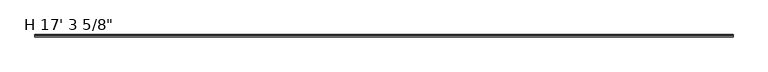
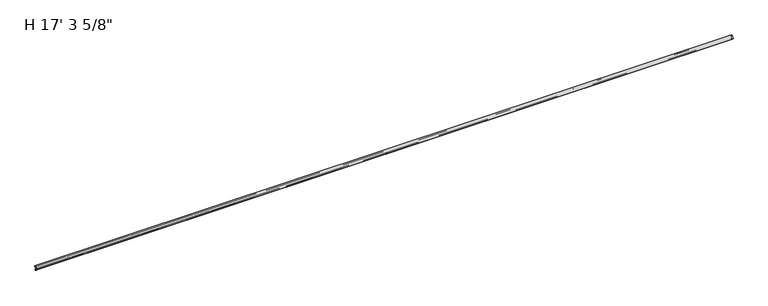
"""IFC4 building model written with IfcOpenShell, lengths in millimetres: proxy geometry."""

from ifc_helpers import new_model, si_unit, point, frame, frame_2d, origin, place, context, project, spatial, polyline, circle_curve, trimmed, segment, composite_curve, outline, extrude, source, transform, mapped, element, save


def proxy_9a439b78(model_context):
    return source(origin(), model_context, "Body", "SweptSolid", [
        extrude(outline(composite_curve([segment(trimmed(circle_curve(frame_2d((-7.0030343, -1.113481)), 1.4278993), [point((-6.1091347, 0.0))], [point((-7.8893268, 0.0060645))], True, "CARTESIAN"), True, "CONTINUOUS"), segment(polyline([(-7.8893268, 0.0060645), (-8.1553262, 0.8894873), (-7.9862027, 1.6851507), (-8.1786509, 2.4848291), (-7.9880038, 3.3817532), (-8.1776372, 4.2927955), (-7.9834986, 5.0714427), (-8.1655958, 5.9462793), (-7.972318, 6.7214745), (-8.1398857, 7.5265082), (-7.9490433, 8.2919351), (-8.1699585, 9.0623577), (-7.9721145, 9.9931404), (-9.525, 9.9931404)]), True, "CONTINUOUS"), segment(trimmed(circle_curve(frame_2d((-11.1161473, 9.9892618)), 1.591152), [point((-9.525, 9.9931404))], [point((-11.1161473, 11.5804138))], True, "CARTESIAN"), True, "CONTINUOUS"), segment(polyline([(-11.1161473, 11.5804138), (-12.4902194, 11.5804138)]), True, "CONTINUOUS"), segment(trimmed(circle_curve(frame_2d((-14.0777194, 11.5804138)), 1.5875), [point((-12.4902194, 11.5804138))], [point((-15.6652194, 11.5804138))], False, "CARTESIAN"), True, "CONTINUOUS"), segment(polyline([(-15.6652194, 11.5804138), (-19.05, 11.5804138)]), True, "CONTINUOUS"), segment(trimmed(circle_curve(frame_2d((0.635, 11.5804138)), 19.685), [point((-19.05, 11.5804138))], [point((0.0, 31.2551692))], False, "CARTESIAN"), True, "CONTINUOUS"), segment(polyline([(0.0, 31.2551692), (0.0, 29.1388523), (-0.254, 28.2962972), (0.0, 27.3483563), (-0.254, 26.5058012), (0.0, 25.0705593)]), True, "CONTINUOUS"), segment(trimmed(circle_curve(frame_2d((-0.79502, 25.0705593)), 0.79502), [point((0.0, 25.0705593))], [point((-0.79502, 24.2755393))], False, "CARTESIAN"), True, "CONTINUOUS"), segment(polyline([(-0.79502, 24.2755393), (-1.5946294, 24.3595817), (-1.8599178, 25.8586097), (-1.5875, 26.7622595), (-1.8415, 27.7102004), (-1.6524001, 28.7826392)]), True, "CONTINUOUS"), segment(trimmed(circle_curve(frame_2d((-3.1115, 25.8284159)), 3.2949063), [point((-1.6524001, 28.7826392))], [point((-4.3677301, 28.8744451))], True, "CARTESIAN"), True, "CONTINUOUS"), segment(polyline([(-4.3677301, 28.8744451), (-4.1978841, 28.1090541), (-4.4923475, 27.2216207), (-4.2880317, 26.4591036), (-4.5167099, 25.7005446), (-4.2974045, 24.8820856), (-5.0436174, 24.3595817)]), True, "CONTINUOUS"), segment(trimmed(circle_curve(frame_2d((-5.0436174, 25.172294)), 0.8127124), [point((-5.0436174, 24.3595817))], [point((-5.8563298, 25.172294))], False, "CARTESIAN"), True, "CONTINUOUS"), segment(polyline([(-5.8563298, 25.172294), (-5.8563298, 26.7830356)]), True, "CONTINUOUS"), segment(trimmed(circle_curve(frame_2d((-6.9689863, 26.7830356)), 1.1126565), [point((-5.8563298, 26.7830356))], [point((-7.4661878, 27.7784225))], True, "CARTESIAN"), True, "CONTINUOUS"), segment(trimmed(circle_curve(frame_2d((0.6044452, 11.6211879)), 18.0607682), [point((-7.4661878, 27.7784225))], [point((-17.1246029, 15.066794))], True, "CARTESIAN"), True, "CONTINUOUS"), segment(trimmed(circle_curve(frame_2d((-15.5679403, 14.7554138)), 1.5875), [point((-17.1246029, 15.066794))], [point((-15.5679403, 13.1679138))], True, "CARTESIAN"), True, "CONTINUOUS"), segment(polyline([(-15.5679403, 13.1679138), (-9.839437, 13.1679138), (-5.8977295, 11.6146251), (-5.8977295, 9.99082), (-5.5657997, 9.2789941), (-5.9337229, 8.5870312), (-5.5986989, 7.8345551), (-6.0051261, 7.0980568), (-5.5991801, 6.4224493), (-5.9294957, 5.7140853), (-5.5944321, 4.9955392), (-5.934397, 4.2664822), (-5.6042879, 3.5585611), (-5.9631778, 2.7889192), (-5.6321023, 2.0789255), (-5.9684988, 1.3575208), (-5.5808077, 0.6581076), (-6.1091347, 0.0)]), True, "CONTINUOUS")], self_intersect=False)), frame((0.0, 0.0, 0.0), z_axis=(1.0, 0.0, 0.0), x_axis=(0.0, 1.0, 0.0)), (0.0, 0.0, 1.0), 5273.675),
    ])


if __name__ == "__main__":
    model = new_model("IFC4")
    model_context = context("Model", 3, world=origin())
    ifc_project = project(units=[si_unit("LENGTHUNIT", "METRE", prefix="MILLI")], contexts=[model_context])
    site = spatial("IfcSite", under=ifc_project)
    building = spatial("IfcBuilding", under=site)
    placement = place(None, origin())
    proxy_shape = proxy_9a439b78(model_context)
    element("IfcBuildingElementProxy", 1, Name="H 17' 3 5/8\"", ObjectType="H 17' 3 5/8\"", at=placement, inside=building, context=model_context, shape_type="MappedRepresentation", body=[
        mapped(proxy_shape, transform((0.0, 0.0, 0.0), x_axis=(1.0, 0.0, 0.0), y_axis=(0.0, 1.0, 0.0), z_axis=(0.0, 0.0, 1.0))),
    ])
    save(model, "model.ifc")
